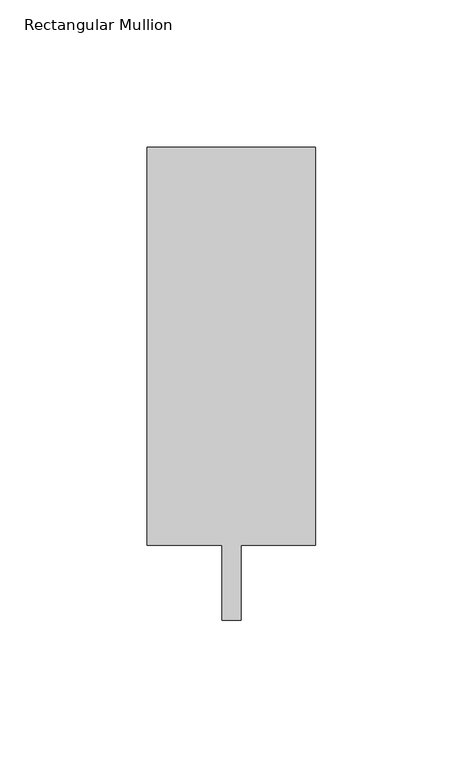
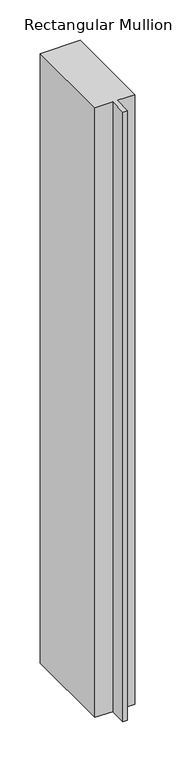
"""IFC4 building model written with IfcOpenShell, lengths in millimetres: member geometry, Rectangular Mullion."""

from ifc_helpers import new_model, si_unit, frame, origin, place, context, project, spatial, polyline, outline, extrude, source, transform, mapped, element, save


def rectangular_mullion_2f48698e(model_context):
    return source(origin(), model_context, "Body", "SweptSolid", [
        extrude(outline(polyline([(28.575, 147.6375), (28.575, 12.7), (3.175, 12.7), (3.175, -12.7), (-3.175, -12.7), (-3.175, 12.7), (-28.575, 12.7), (-28.575, 147.6375), (28.575, 147.6375)])), frame((0.0, 0.0, -920.75), z_axis=(0.0, 0.0, 1.0), x_axis=(1.0, 0.0, 0.0)), (0.0, 0.0, 1.0), 920.75),
    ])


if __name__ == "__main__":
    model = new_model("IFC4")
    model_context = context("Model", 3, world=origin())
    ifc_project = project(units=[si_unit("LENGTHUNIT", "METRE", prefix="MILLI")], contexts=[model_context])
    site = spatial("IfcSite", under=ifc_project)
    building = spatial("IfcBuilding", under=site)
    placement = place(None, origin())
    rectangular_mullion_shape = rectangular_mullion_2f48698e(model_context)
    element("IfcMember", 1, ObjectType="Rectangular Mullion", at=placement, inside=building, context=model_context, shape_type="MappedRepresentation", body=[
        mapped(rectangular_mullion_shape, transform((0.0, 0.0, 0.0), x_axis=(1.0, 0.0, 0.0), y_axis=(0.0, 1.0, 0.0), z_axis=(0.0, 0.0, 1.0))),
    ])
    save(model, "model.ifc")
